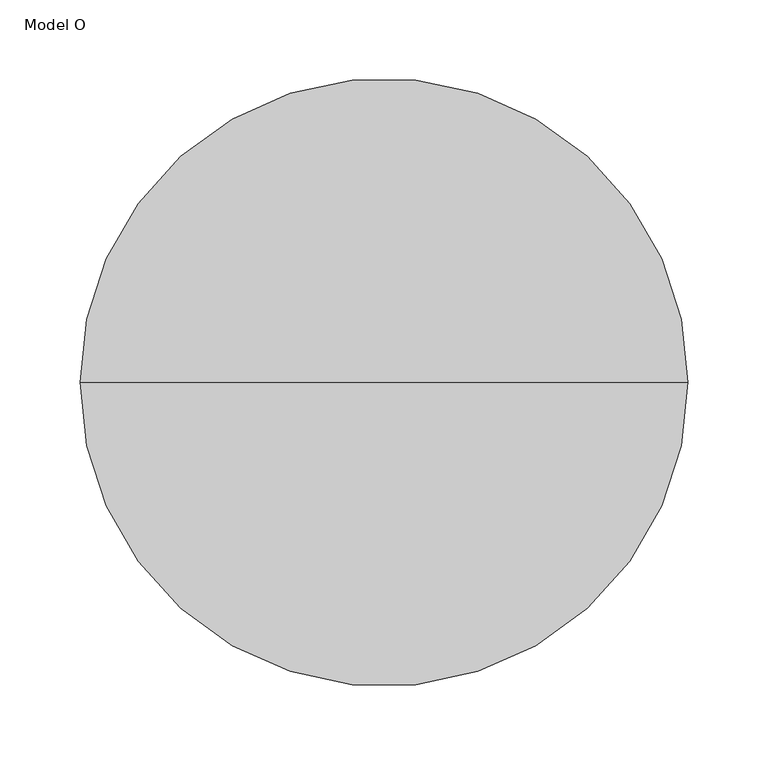
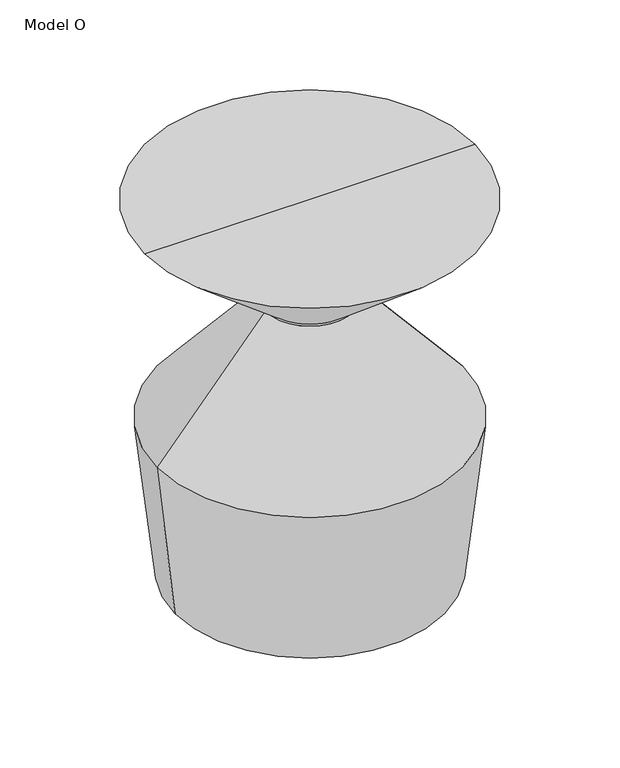
"""IFC4 building model written with IfcOpenShell, lengths in millimetres: furniture geometry, Model O."""

from ifc_helpers import new_model, si_unit, frame, origin, place, context, project, spatial, polyline, circle_curve, source, transform, mapped, element, save
from ifc_brep_helpers import plane_surface, cylinder_surface, revolved_surface, advanced_brep


def model_o_57d0ad83(model_context):
    return source(origin(), model_context, "Body", "AdvancedBrep", [
        advanced_brep(
        [(51.5, 0.0, 333.7847011), (-51.5, 0.0, 333.7847011), (-190.0, 0.0, 450.0), (190.0, 0.0, 450.0), (175.9, 0.0, 185.6), (-175.9, 0.0, 185.6), (-51.5, 0.0, 331.2447011), (51.5, 0.0, 331.2447011), (154.9, 0.0, 0.0), (-154.9, 0.0, 0.0), (0.0, 0.0, 0.0), (0.0, 0.0, 450.0)],
        [
            (0, 1, circle_curve(frame((0.0, 0.0, 333.7847011), z_axis=(0.0, 0.0, 1.0), x_axis=(-1.0, 0.0, 0.0)), 51.5)),
            (1, 2),
            (2, 3, circle_curve(frame((0.0, 0.0, 450.0), z_axis=(0.0, 0.0, -1.0), x_axis=(-1.0, 0.0, 0.0)), 190.0)),
            (3, 0),
            (1, 0, circle_curve(frame((0.0, 0.0, 333.7847011), z_axis=(0.0, 0.0, 1.0), x_axis=(-1.0, 0.0, 0.0)), 51.5)),
            (3, 2, circle_curve(frame((0.0, 0.0, 450.0), z_axis=(0.0, 0.0, -1.0), x_axis=(-1.0, 0.0, 0.0)), 190.0)),
            (4, 5, circle_curve(frame((0.0, 0.0, 185.6), z_axis=(0.0, 0.0, 1.0), x_axis=(-1.0, 0.0, 0.0)), 175.9)),
            (5, 6),
            (6, 7, circle_curve(frame((0.0, 0.0, 331.2447011), z_axis=(0.0, 0.0, -1.0), x_axis=(-1.0, 0.0, 0.0)), 51.5)),
            (7, 4),
            (5, 4, circle_curve(frame((0.0, 0.0, 185.6), z_axis=(0.0, 0.0, 1.0), x_axis=(-1.0, 0.0, 0.0)), 175.9)),
            (7, 6, circle_curve(frame((0.0, 0.0, 331.2447011), z_axis=(0.0, 0.0, -1.0), x_axis=(-1.0, 0.0, 0.0)), 51.5)),
            (8, 9, circle_curve(frame((0.0, 0.0, 0.0), z_axis=(0.0, 0.0, 1.0), x_axis=(-1.0, 0.0, 0.0)), 154.9)),
            (9, 5),
            (4, 8),
            (9, 8, circle_curve(frame((0.0, 0.0, 0.0), z_axis=(0.0, 0.0, 1.0), x_axis=(-1.0, 0.0, 0.0)), 154.9)),
            (10, 9),
            (8, 10),
            (2, 11),
            (11, 3),
            (6, 1),
            (0, 7),
        ],
        [
            revolved_surface(polyline([(-190.0, 0.0, 450.0), (-51.5, 0.0, 333.7847011)]), (0.0, 0.0, 450.0), (0.0, 0.0, -1.0)),
            revolved_surface(polyline([(-51.5, 0.0, 331.2447011), (-175.9, 0.0, 185.6)]), (0.0, 0.0, 450.0), (0.0, 0.0, -1.0)),
            revolved_surface(polyline([(-175.9, 0.0, 185.6), (-154.9, 0.0, 0.0)]), (0.0, 0.0, 450.0), (0.0, 0.0, -1.0)),
            plane_surface(frame((0.0, 0.0, 0.0), z_axis=(0.0, 0.0, -1.0), x_axis=(-1.0, 0.0, 0.0))),
            plane_surface(frame((0.0, 0.0, 450.0), z_axis=(0.0, 0.0, 1.0), x_axis=(-1.0, 0.0, 0.0))),
            cylinder_surface(frame((0.0, 0.0, 450.0), z_axis=(0.0, 0.0, -1.0), x_axis=(-1.0, 0.0, 0.0)), 51.5),
        ],
        [
            (0, [[1, 2, 3, 4]]),
            (0, [[5, -4, 6, -2]]),
            (1, [[7, 8, 9, 10]]),
            (1, [[11, -10, 12, -8]]),
            (2, [[13, 14, -7, 15]]),
            (2, [[16, -15, -11, -14]]),
            (3, [[17, -13, 18]]),
            (3, [[-18, -16, -17]]),
            (4, [[-3, 19, 20]]),
            (4, [[-6, -20, -19]]),
            (5, [[-9, 21, -1, 22]]),
            (5, [[-12, -22, -5, -21]]),
        ],
    ),
    ])


if __name__ == "__main__":
    model = new_model("IFC4")
    model_context = context("Model", 3, world=origin())
    ifc_project = project(units=[si_unit("LENGTHUNIT", "METRE", prefix="MILLI")], contexts=[model_context])
    site = spatial("IfcSite", under=ifc_project)
    building = spatial("IfcBuilding", under=site)
    placement = place(None, origin())
    model_o_shape = model_o_57d0ad83(model_context)
    element("IfcFurniture", 1, ObjectType="Model O", at=placement, inside=building, context=model_context, shape_type="MappedRepresentation", body=[
        mapped(model_o_shape, transform((0.0, 0.0, 0.0), x_axis=(1.0, 0.0, 0.0), y_axis=(0.0, 1.0, 0.0), z_axis=(0.0, 0.0, 1.0))),
    ])
    save(model, "model.ifc")
